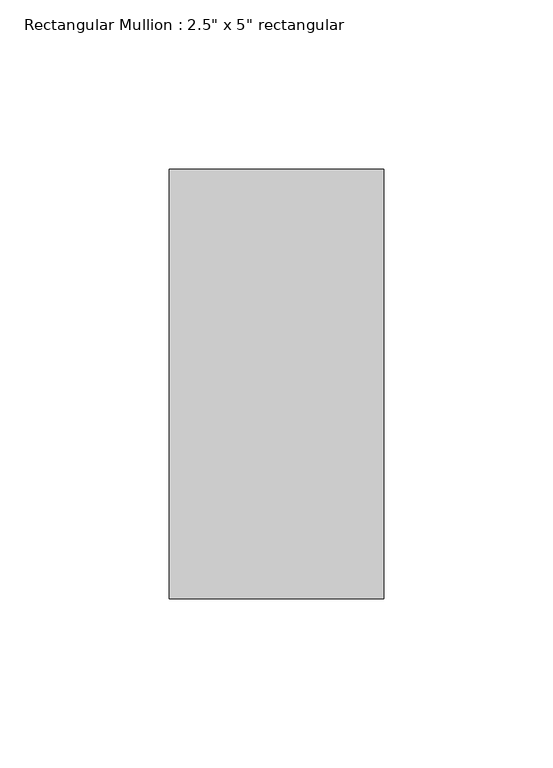
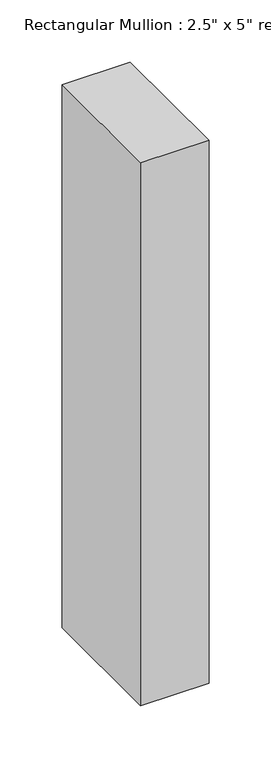
"""IFC4 building model written with IfcOpenShell, lengths in millimetres: member geometry."""

from ifc_helpers import new_model, si_unit, frame, origin, place, context, project, spatial, polyline, outline, extrude, source, transform, mapped, element, save


def member_3ab1280d(model_context):
    return source(origin(), model_context, "Body", "SweptSolid", [
        extrude(outline(polyline([(31.75, 63.5), (31.75, -63.5), (-31.75, -63.5), (-31.75, 63.5), (31.75, 63.5)])), frame((0.0, 0.0, -533.9661473), z_axis=(0.0, 0.0, 1.0), x_axis=(1.0, 0.0, 0.0)), (0.0, 0.0, 1.0), 533.9661473),
    ])


if __name__ == "__main__":
    model = new_model("IFC4")
    model_context = context("Model", 3, world=origin())
    ifc_project = project(units=[si_unit("LENGTHUNIT", "METRE", prefix="MILLI")], contexts=[model_context])
    site = spatial("IfcSite", under=ifc_project)
    building = spatial("IfcBuilding", under=site)
    placement = place(None, origin())
    member_shape = member_3ab1280d(model_context)
    element("IfcMember", 1, ObjectType="Rectangular Mullion : 2.5\" x 5\" rectangular", at=placement, inside=building, context=model_context, shape_type="MappedRepresentation", body=[
        mapped(member_shape, transform((0.0, 0.0, 0.0), x_axis=(1.0, 0.0, 0.0), y_axis=(0.0, 1.0, 0.0), z_axis=(0.0, 0.0, 1.0))),
    ])
    save(model, "model.ifc")
